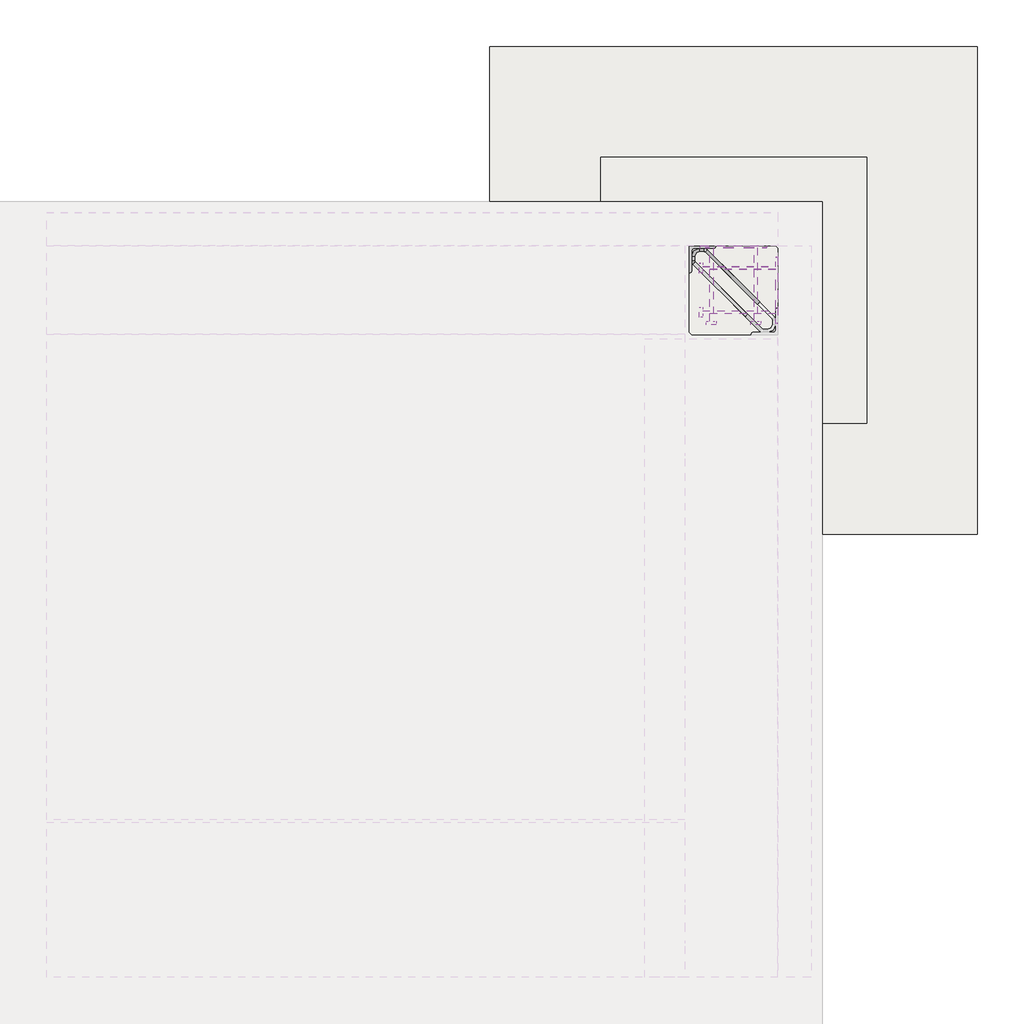
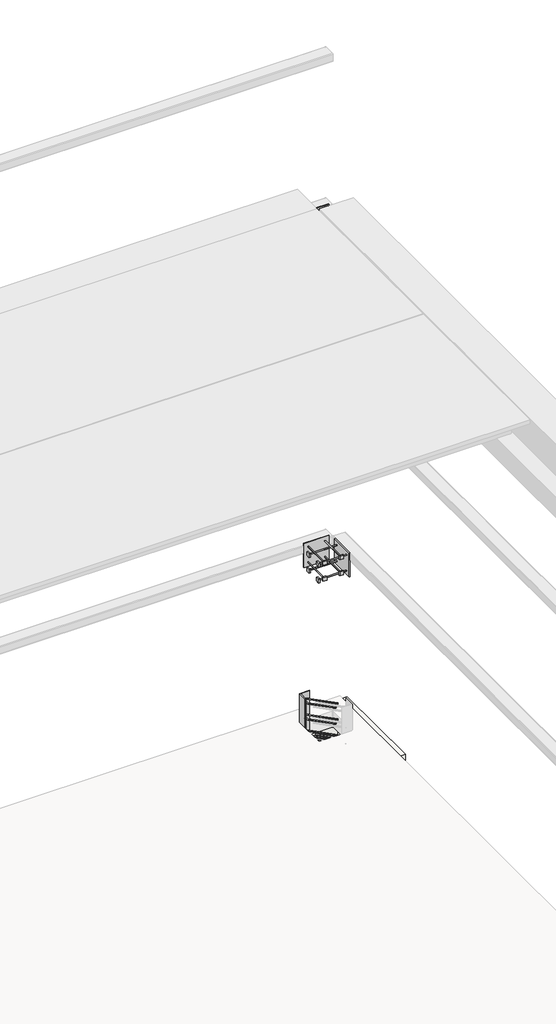
# One storey, part 64 of 65: 7 fasteners, 1 slab.
"""IFC4 building model written with IfcOpenShell, lengths in millimetres."""

from ifc_helpers import new_model, si_unit, point, frame, frame_2d, origin, place, context, project, spatial, polyline, circle_curve, ellipse_curve, trimmed, segment, composite_curve, outline, extrude, faceted_brep, element, save
from ifc_brep_helpers import plane_surface, cylinder_surface, revolved_surface, advanced_brep

model = new_model("IFC4")

# Units and contexts
model_context = context("Model", 3, world=origin())
ifc_project = project(units=[si_unit("LENGTHUNIT", "METRE", prefix="MILLI")], contexts=[model_context])

# Site, building, storey
site = spatial("IfcSite", under=ifc_project)
building = spatial("IfcBuilding", under=site)
storey = spatial("IfcBuildingStorey", under=building, Elevation=0.0)

# Fasteners
placement = place(None, origin())
element("IfcFastener", 1, at=placement, inside=storey, context=model_context, shape_type="SolidModel", body=[
    advanced_brep(
    [(82052.5376259, 38682.5628791, -120.0), (82062.4371209, 38692.4623741, -120.0), (82117.4371209, 38747.4623741, -120.0), (82107.5376259, 38737.5628791, -120.0), (81847.0, 38976.0, -120.0), (81865.7867966, 38976.0, -120.0), (81865.7867966, 38990.0, -120.0), (81847.0, 38990.0, -120.0), (81810.0, 38953.0, -120.0), (81824.0, 38953.0, -120.0), (81824.0, 38934.2132034, -120.0), (81810.0, 38934.2132034, -120.0), (81826.3431458, 38928.5563492, -120.0), (81816.4436508, 38918.6568542, -120.0), (81871.4436508, 38973.6568542, -120.0), (81881.3431458, 38983.5563492, -120.0)],
    [
        (0, 1, circle_curve(frame((82057.4873734, 38687.5126266, -120.0), z_axis=(0.7071067811865482, -0.707106781186547, 0.0), x_axis=(0.707106781186547, 0.7071067811865482, 0.0)), 7.0)),
        (1, 0, circle_curve(frame((82057.4873734, 38687.5126266, -120.0), z_axis=(0.7071067811865482, -0.707106781186547, 0.0), x_axis=(0.707106781186547, 0.7071067811865482, 0.0)), 7.0)),
        (2, 3, circle_curve(frame((82112.4873734, 38742.5126266, -120.0), z_axis=(0.707106781186548, -0.707106781186547, 0.0), x_axis=(-0.707106781186547, -0.707106781186548, 0.0)), 7.0)),
        (3, 2, circle_curve(frame((82112.4873734, 38742.5126266, -120.0), z_axis=(0.707106781186548, -0.707106781186547, 0.0), x_axis=(-0.707106781186547, -0.707106781186548, 0.0)), 7.0)),
        (4, 5),
        (5, 6, circle_curve(frame((81865.7867966, 38983.0, -120.0), z_axis=(-1.0, 0.0, 0.0), x_axis=(0.0, -1.0, 0.0)), 7.0)),
        (6, 7),
        (7, 4, circle_curve(frame((81847.0, 38983.0, -120.0), z_axis=(1.0, 0.0, 0.0), x_axis=(0.0, -1.0, 0.0)), 7.0)),
        (6, 5, circle_curve(frame((81865.7867966, 38983.0, -120.0), z_axis=(-1.0, 0.0, 0.0), x_axis=(0.0, -1.0, 0.0)), 7.0)),
        (4, 7, circle_curve(frame((81847.0, 38983.0, -120.0), z_axis=(1.0, 0.0, 0.0), x_axis=(0.0, -1.0, 0.0)), 7.0)),
        (7, 8, circle_curve(frame((81847.0, 38953.0, -120.0), z_axis=(0.0, 0.0, 1.0), x_axis=(-1.0, 0.0, 0.0)), 37.0)),
        (8, 9, circle_curve(frame((81817.0, 38953.0, -120.0), z_axis=(0.0, 1.0, 0.0), x_axis=(1.0, 0.0, 0.0)), 7.0)),
        (9, 4, circle_curve(frame((81847.0, 38953.0, -120.0), z_axis=(0.0, 0.0, -1.0), x_axis=(-1.0, 0.0, 0.0)), 23.0)),
        (9, 8, circle_curve(frame((81817.0, 38953.0, -120.0), z_axis=(0.0, 1.0, 0.0), x_axis=(1.0, 0.0, 0.0)), 7.0)),
        (10, 9),
        (8, 11),
        (11, 10, circle_curve(frame((81817.0, 38934.2132034, -120.0), z_axis=(0.0, 1.0, 0.0), x_axis=(1.0, 0.0, 0.0)), 7.0)),
        (10, 11, circle_curve(frame((81817.0, 38934.2132034, -120.0), z_axis=(0.0, 1.0, 0.0), x_axis=(1.0, 0.0, 0.0)), 7.0)),
        (1, 12),
        (12, 13, circle_curve(frame((81821.3933983, 38923.6066017, -120.0), z_axis=(0.7071067811865482, -0.707106781186547, 0.0), x_axis=(0.707106781186547, 0.7071067811865482, 0.0)), 7.0)),
        (13, 0),
        (13, 12, circle_curve(frame((81821.3933983, 38923.6066017, -120.0), z_axis=(0.7071067811865482, -0.707106781186547, 0.0), x_axis=(0.707106781186547, 0.7071067811865482, 0.0)), 7.0)),
        (11, 13, circle_curve(frame((81832.0, 38934.2132034, -120.0), z_axis=(0.0, 0.0, 1.0), x_axis=(-0.7071067811865468, -0.7071067811865482, 0.0)), 22.0)),
        (12, 10, circle_curve(frame((81832.0, 38934.2132034, -120.0), z_axis=(0.0, 0.0, -1.0), x_axis=(-0.7071067811865468, -0.7071067811865482, 0.0)), 8.0)),
        (14, 15, circle_curve(frame((81876.3933983, 38978.6066017, -120.0), z_axis=(-0.7071067811865476, 0.7071067811865475, 0.0), x_axis=(-0.7071067811865475, -0.7071067811865476, 0.0)), 7.0)),
        (15, 6, circle_curve(frame((81865.7867966, 38968.0, -120.0), z_axis=(0.0, 0.0, 1.0), x_axis=(0.0, 1.0, 0.0)), 22.0)),
        (5, 14, circle_curve(frame((81865.7867966, 38968.0, -120.0), z_axis=(0.0, 0.0, -1.0), x_axis=(0.0, 1.0, 0.0)), 8.0)),
        (15, 14, circle_curve(frame((81876.3933983, 38978.6066017, -120.0), z_axis=(-0.7071067811865479, 0.7071067811865471, 0.0), x_axis=(-0.7071067811865471, -0.7071067811865479, 0.0)), 7.0)),
        (14, 3),
        (2, 15),
    ],
    [
        plane_surface(frame((82057.4873734, 38687.5126266, -120.0), z_axis=(0.7071067811865482, -0.707106781186547, 0.0), x_axis=(0.0, 0.0, 1.0))),
        plane_surface(frame((82112.4873734, 38742.5126266, -120.0), z_axis=(0.707106781186548, -0.707106781186547, 0.0), x_axis=(0.0, 0.0, 1.0))),
        cylinder_surface(frame((81847.0, 38983.0, -120.0), z_axis=(-1.0, 0.0, 0.0), x_axis=(0.0, -1.0, 0.0)), 7.0),
        revolved_surface(trimmed(ellipse_curve(frame((81817.0, 38953.0, -120.0), z_axis=(0.0, 1.0, 0.0), x_axis=(1.0, 0.0, 0.0)), 7.0, 7.0), [point((81810.0, 38953.0, -120.0))], [point((81824.0, 38953.0, -120.0))], True, "CARTESIAN"), (81847.0, 38953.0, -120.0), (0.0, 0.0, 1.0)),
        revolved_surface(trimmed(ellipse_curve(frame((81817.0, 38953.0, -120.0), z_axis=(0.0, 1.0, 0.0), x_axis=(1.0, 0.0, 0.0)), 7.0, 7.0), [point((81824.0, 38953.0, -120.0))], [point((81810.0, 38953.0, -120.0))], True, "CARTESIAN"), (81847.0, 38953.0, -120.0), (0.0, 0.0, 1.0)),
        cylinder_surface(frame((81817.0, 38934.2132034, -120.0), z_axis=(0.0, -1.0, 0.0), x_axis=(1.0, 0.0, 0.0)), 7.0),
        cylinder_surface(frame((82057.4873734, 38687.5126266, -120.0), z_axis=(0.7071067811865482, -0.707106781186547, 0.0), x_axis=(0.707106781186547, 0.7071067811865482, 0.0)), 7.0),
        revolved_surface(trimmed(ellipse_curve(frame((81821.3933983, 38923.6066017, -120.0), z_axis=(-0.7071067811865482, 0.7071067811865468, 0.0), x_axis=(0.7071067811865468, 0.7071067811865482, 0.0)), 7.0, 7.0), [point((81816.4436508, 38918.6568542, -120.0))], [point((81826.3431458, 38928.5563492, -120.0))], True, "CARTESIAN"), (81832.0, 38934.2132034, -120.0), (0.0, 0.0, 1.0)),
        revolved_surface(trimmed(ellipse_curve(frame((81821.3933983, 38923.6066017, -120.0), z_axis=(-0.7071067811865482, 0.7071067811865468, 0.0), x_axis=(0.7071067811865468, 0.7071067811865482, 0.0)), 7.0, 7.0), [point((81826.3431458, 38928.5563492, -120.0))], [point((81816.4436508, 38918.6568542, -120.0))], True, "CARTESIAN"), (81832.0, 38934.2132034, -120.0), (0.0, 0.0, 1.0)),
        revolved_surface(trimmed(ellipse_curve(frame((81865.7867966, 38983.0, -120.0), z_axis=(1.0, 0.0, 0.0), x_axis=(0.0, -1.0, 0.0)), 7.0, 7.0), [point((81865.7867966, 38990.0, -120.0))], [point((81865.7867966, 38976.0, -120.0))], True, "CARTESIAN"), (81865.7867966, 38968.0, -120.0), (0.0, 0.0, 1.0)),
        revolved_surface(trimmed(ellipse_curve(frame((81865.7867966, 38983.0, -120.0), z_axis=(1.0, 0.0, 0.0), x_axis=(0.0, -1.0, 0.0)), 7.0, 7.0), [point((81865.7867966, 38976.0, -120.0))], [point((81865.7867966, 38990.0, -120.0))], True, "CARTESIAN"), (81865.7867966, 38968.0, -120.0), (0.0, 0.0, 1.0)),
        cylinder_surface(frame((81876.3933983, 38978.6066017, -120.0), z_axis=(-0.707106781186548, 0.707106781186547, 0.0), x_axis=(-0.707106781186547, -0.707106781186548, 0.0)), 7.0),
    ],
    [
        (0, [[1, 2]]),
        (1, [[3, 4]]),
        (2, [[5, 6, 7, 8]]),
        (2, [[-7, 9, -5, 10]]),
        (3, [[-8, 11, 12, 13]]),
        (4, [[-10, -13, 14, -11]]),
        (5, [[15, -12, 16, 17]]),
        (5, [[-16, -14, -15, 18]]),
        (6, [[19, 20, 21, -2]]),
        (6, [[-21, 22, -19, -1]]),
        (7, [[-17, 23, -20, 24]]),
        (8, [[-18, -24, -22, -23]]),
        (9, [[25, 26, -6, 27]]),
        (10, [[28, -27, -9, -26]]),
        (11, [[29, -3, 30, -25]]),
        (11, [[-30, -4, -29, -28]]),
    ],
),
    advanced_brep(
    [(82062.4371209, 38692.4623741, 280.0), (82052.5376259, 38682.5628791, 280.0), (82107.5376259, 38737.5628791, 280.0), (82117.4371209, 38747.4623741, 280.0), (81847.0, 38990.0, 280.0), (81865.7867966, 38990.0, 280.0), (81865.7867966, 38976.0, 280.0), (81847.0, 38976.0, 280.0), (81824.0, 38953.0, 280.0), (81810.0, 38953.0, 280.0), (81810.0, 38934.2132034, 280.0), (81824.0, 38934.2132034, 280.0), (81816.4436508, 38918.6568542, 280.0), (81826.3431458, 38928.5563492, 280.0), (81881.3431458, 38983.5563492, 280.0), (81871.4436508, 38973.6568542, 280.0)],
    [
        (0, 1, circle_curve(frame((82057.4873734, 38687.5126266, 280.0), z_axis=(0.7071067811865482, -0.707106781186547, 0.0), x_axis=(-0.707106781186547, -0.7071067811865482, 0.0)), 7.0)),
        (1, 0, circle_curve(frame((82057.4873734, 38687.5126266, 280.0), z_axis=(0.7071067811865482, -0.707106781186547, 0.0), x_axis=(-0.707106781186547, -0.7071067811865482, 0.0)), 7.0)),
        (2, 3, circle_curve(frame((82112.4873734, 38742.5126266, 280.0), z_axis=(0.7071067811865481, -0.707106781186547, 0.0), x_axis=(0.707106781186547, 0.7071067811865481, 0.0)), 7.0)),
        (3, 2, circle_curve(frame((82112.4873734, 38742.5126266, 280.0), z_axis=(0.7071067811865481, -0.707106781186547, 0.0), x_axis=(0.707106781186547, 0.7071067811865481, 0.0)), 7.0)),
        (4, 5),
        (5, 6, circle_curve(frame((81865.7867966, 38983.0, 280.0), z_axis=(-1.0, 0.0, 0.0), x_axis=(0.0, 1.0, 0.0)), 7.0)),
        (6, 7),
        (7, 4, circle_curve(frame((81847.0, 38983.0, 280.0), z_axis=(1.0, 0.0, 0.0), x_axis=(0.0, 1.0, 0.0)), 7.0)),
        (6, 5, circle_curve(frame((81865.7867966, 38983.0, 280.0), z_axis=(-1.0, 0.0, 0.0), x_axis=(0.0, 1.0, 0.0)), 7.0)),
        (4, 7, circle_curve(frame((81847.0, 38983.0, 280.0), z_axis=(1.0, 0.0, 0.0), x_axis=(0.0, 1.0, 0.0)), 7.0)),
        (7, 8, circle_curve(frame((81847.0, 38953.0, 280.0), z_axis=(0.0, 0.0, 1.0), x_axis=(-1.0, 0.0, 0.0)), 23.0)),
        (8, 9, circle_curve(frame((81817.0, 38953.0, 280.0), z_axis=(0.0, 1.0, 0.0), x_axis=(-1.0, 0.0, 0.0)), 7.0)),
        (9, 4, circle_curve(frame((81847.0, 38953.0, 280.0), z_axis=(0.0, 0.0, -1.0), x_axis=(-1.0, 0.0, 0.0)), 37.0)),
        (9, 8, circle_curve(frame((81817.0, 38953.0, 280.0), z_axis=(0.0, 1.0, 0.0), x_axis=(-1.0, 0.0, 0.0)), 7.0)),
        (10, 9),
        (8, 11),
        (11, 10, circle_curve(frame((81817.0, 38934.2132034, 280.0), z_axis=(0.0, 1.0, 0.0), x_axis=(-1.0, 0.0, 0.0)), 7.0)),
        (10, 11, circle_curve(frame((81817.0, 38934.2132034, 280.0), z_axis=(0.0, 1.0, 0.0), x_axis=(-1.0, 0.0, 0.0)), 7.0)),
        (1, 12),
        (12, 13, circle_curve(frame((81821.3933983, 38923.6066017, 280.0), z_axis=(0.7071067811865482, -0.707106781186547, 0.0), x_axis=(-0.707106781186547, -0.7071067811865482, 0.0)), 7.0)),
        (13, 0),
        (13, 12, circle_curve(frame((81821.3933983, 38923.6066017, 280.0), z_axis=(0.7071067811865482, -0.707106781186547, 0.0), x_axis=(-0.707106781186547, -0.7071067811865482, 0.0)), 7.0)),
        (11, 13, circle_curve(frame((81832.0, 38934.2132034, 280.0), z_axis=(0.0, 0.0, 1.0), x_axis=(-0.7071067811865468, -0.7071067811865482, 0.0)), 8.0)),
        (12, 10, circle_curve(frame((81832.0, 38934.2132034, 280.0), z_axis=(0.0, 0.0, -1.0), x_axis=(-0.7071067811865468, -0.7071067811865482, 0.0)), 22.0)),
        (14, 15, circle_curve(frame((81876.3933983, 38978.6066017, 280.0), z_axis=(-0.7071067811865474, 0.7071067811865477, 0.0), x_axis=(0.7071067811865477, 0.7071067811865474, 0.0)), 7.0)),
        (15, 6, circle_curve(frame((81865.7867966, 38968.0, 280.0), z_axis=(0.0, 0.0, 1.0), x_axis=(0.0, 1.0, 0.0)), 8.0)),
        (5, 14, circle_curve(frame((81865.7867966, 38968.0, 280.0), z_axis=(0.0, 0.0, -1.0), x_axis=(0.0, 1.0, 0.0)), 22.0)),
        (15, 14, circle_curve(frame((81876.3933983, 38978.6066017, 280.0), z_axis=(-0.7071067811865464, 0.7071067811865487, 0.0), x_axis=(0.7071067811865487, 0.7071067811865464, 0.0)), 7.0)),
        (14, 3),
        (2, 15),
    ],
    [
        plane_surface(frame((82057.4873734, 38687.5126266, 280.0), z_axis=(0.7071067811865482, -0.707106781186547, 0.0), x_axis=(0.0, 0.0, -1.0))),
        plane_surface(frame((82112.4873734, 38742.5126266, 280.0), z_axis=(0.7071067811865481, -0.707106781186547, 0.0), x_axis=(0.0, 0.0, -1.0))),
        cylinder_surface(frame((81847.0, 38983.0, 280.0), z_axis=(-1.0, 0.0, 0.0), x_axis=(0.0, 1.0, 0.0)), 7.0),
        revolved_surface(trimmed(ellipse_curve(frame((81817.0, 38953.0, 280.0), z_axis=(0.0, 1.0, 0.0), x_axis=(-1.0, 0.0, 0.0)), 7.0, 7.0), [point((81824.0, 38953.0, 280.0))], [point((81810.0, 38953.0, 280.0))], True, "CARTESIAN"), (81847.0, 38953.0, 280.0), (0.0, 0.0, 1.0)),
        revolved_surface(trimmed(ellipse_curve(frame((81817.0, 38953.0, 280.0), z_axis=(0.0, 1.0, 0.0), x_axis=(-1.0, 0.0, 0.0)), 7.0, 7.0), [point((81810.0, 38953.0, 280.0))], [point((81824.0, 38953.0, 280.0))], True, "CARTESIAN"), (81847.0, 38953.0, 280.0), (0.0, 0.0, 1.0)),
        cylinder_surface(frame((81817.0, 38934.2132034, 280.0), z_axis=(0.0, -1.0, 0.0), x_axis=(-1.0, 0.0, 0.0)), 7.0),
        cylinder_surface(frame((82057.4873734, 38687.5126266, 280.0), z_axis=(0.7071067811865482, -0.707106781186547, 0.0), x_axis=(-0.707106781186547, -0.7071067811865482, 0.0)), 7.0),
        revolved_surface(trimmed(ellipse_curve(frame((81821.3933983, 38923.6066017, 280.0), z_axis=(-0.7071067811865482, 0.7071067811865468, 0.0), x_axis=(-0.7071067811865468, -0.7071067811865482, 0.0)), 7.0, 7.0), [point((81826.3431458, 38928.5563492, 280.0))], [point((81816.4436508, 38918.6568542, 280.0))], True, "CARTESIAN"), (81832.0, 38934.2132034, 280.0), (0.0, 0.0, 1.0)),
        revolved_surface(trimmed(ellipse_curve(frame((81821.3933983, 38923.6066017, 280.0), z_axis=(-0.7071067811865482, 0.7071067811865468, 0.0), x_axis=(-0.7071067811865468, -0.7071067811865482, 0.0)), 7.0, 7.0), [point((81816.4436508, 38918.6568542, 280.0))], [point((81826.3431458, 38928.5563492, 280.0))], True, "CARTESIAN"), (81832.0, 38934.2132034, 280.0), (0.0, 0.0, 1.0)),
        revolved_surface(trimmed(ellipse_curve(frame((81865.7867966, 38983.0, 280.0), z_axis=(1.0, 0.0, 0.0), x_axis=(0.0, 1.0, 0.0)), 7.0, 7.0), [point((81865.7867966, 38976.0, 280.0))], [point((81865.7867966, 38990.0, 280.0))], True, "CARTESIAN"), (81865.7867966, 38968.0, 280.0), (0.0, 0.0, 1.0)),
        revolved_surface(trimmed(ellipse_curve(frame((81865.7867966, 38983.0, 280.0), z_axis=(1.0, 0.0, 0.0), x_axis=(0.0, 1.0, 0.0)), 7.0, 7.0), [point((81865.7867966, 38990.0, 280.0))], [point((81865.7867966, 38976.0, 280.0))], True, "CARTESIAN"), (81865.7867966, 38968.0, 280.0), (0.0, 0.0, 1.0)),
        cylinder_surface(frame((81876.3933983, 38978.6066017, 280.0), z_axis=(-0.7071067811865481, 0.707106781186547, 0.0), x_axis=(0.707106781186547, 0.7071067811865481, 0.0)), 7.0),
    ],
    [
        (0, [[1, 2]]),
        (1, [[3, 4]]),
        (2, [[5, 6, 7, 8]]),
        (2, [[-7, 9, -5, 10]]),
        (3, [[-8, 11, 12, 13]]),
        (4, [[-10, -13, 14, -11]]),
        (5, [[15, -12, 16, 17]]),
        (5, [[-16, -14, -15, 18]]),
        (6, [[19, 20, 21, -2]]),
        (6, [[-21, 22, -19, -1]]),
        (7, [[-17, 23, -20, 24]]),
        (8, [[-18, -24, -22, -23]]),
        (9, [[25, 26, -6, 27]]),
        (10, [[28, -27, -9, -26]]),
        (11, [[29, -3, 30, -25]]),
        (11, [[-30, -4, -29, -28]]),
    ],
),
    advanced_brep(
    [(82062.4371209, 38692.4623741, 80.0), (82052.5376259, 38682.5628791, 80.0), (82107.5376259, 38737.5628791, 80.0), (82117.4371209, 38747.4623741, 80.0), (81847.0, 38990.0, 80.0), (81865.7867966, 38990.0, 80.0), (81865.7867966, 38976.0, 80.0), (81847.0, 38976.0, 80.0), (81824.0, 38953.0, 80.0), (81810.0, 38953.0, 80.0), (81810.0, 38934.2132034, 80.0), (81824.0, 38934.2132034, 80.0), (81816.4436508, 38918.6568542, 80.0), (81826.3431458, 38928.5563492, 80.0), (81881.3431458, 38983.5563492, 80.0), (81871.4436508, 38973.6568542, 80.0)],
    [
        (0, 1, circle_curve(frame((82057.4873734, 38687.5126266, 80.0), z_axis=(0.7071067811865481, -0.7071067811865469, 0.0), x_axis=(-0.7071067811865469, -0.7071067811865481, 0.0)), 7.0)),
        (1, 0, circle_curve(frame((82057.4873734, 38687.5126266, 80.0), z_axis=(0.7071067811865481, -0.7071067811865469, 0.0), x_axis=(-0.7071067811865469, -0.7071067811865481, 0.0)), 7.0)),
        (2, 3, circle_curve(frame((82112.4873734, 38742.5126266, 80.0), z_axis=(0.7071067811865481, -0.707106781186547, 0.0), x_axis=(0.707106781186547, 0.7071067811865481, 0.0)), 7.0)),
        (3, 2, circle_curve(frame((82112.4873734, 38742.5126266, 80.0), z_axis=(0.7071067811865481, -0.707106781186547, 0.0), x_axis=(0.707106781186547, 0.7071067811865481, 0.0)), 7.0)),
        (4, 5),
        (5, 6, circle_curve(frame((81865.7867966, 38983.0, 80.0), z_axis=(-1.0, 0.0, 0.0), x_axis=(0.0, 1.0, 0.0)), 7.0)),
        (6, 7),
        (7, 4, circle_curve(frame((81847.0, 38983.0, 80.0), z_axis=(1.0, 0.0, 0.0), x_axis=(0.0, 1.0, 0.0)), 7.0)),
        (6, 5, circle_curve(frame((81865.7867966, 38983.0, 80.0), z_axis=(-1.0, 0.0, 0.0), x_axis=(0.0, 1.0, 0.0)), 7.0)),
        (4, 7, circle_curve(frame((81847.0, 38983.0, 80.0), z_axis=(1.0, 0.0, 0.0), x_axis=(0.0, 1.0, 0.0)), 7.0)),
        (7, 8, circle_curve(frame((81847.0, 38953.0, 80.0), z_axis=(0.0, 0.0, 1.0), x_axis=(-1.0, 0.0, 0.0)), 23.0)),
        (8, 9, circle_curve(frame((81817.0, 38953.0, 80.0), z_axis=(0.0, 1.0, 0.0), x_axis=(-1.0, 0.0, 0.0)), 7.0)),
        (9, 4, circle_curve(frame((81847.0, 38953.0, 80.0), z_axis=(0.0, 0.0, -1.0), x_axis=(-1.0, 0.0, 0.0)), 37.0)),
        (9, 8, circle_curve(frame((81817.0, 38953.0, 80.0), z_axis=(0.0, 1.0, 0.0), x_axis=(-1.0, 0.0, 0.0)), 7.0)),
        (10, 9),
        (8, 11),
        (11, 10, circle_curve(frame((81817.0, 38934.2132034, 80.0), z_axis=(0.0, 1.0, 0.0), x_axis=(-1.0, 0.0, 0.0)), 7.0)),
        (10, 11, circle_curve(frame((81817.0, 38934.2132034, 80.0), z_axis=(0.0, 1.0, 0.0), x_axis=(-1.0, 0.0, 0.0)), 7.0)),
        (1, 12),
        (12, 13, circle_curve(frame((81821.3933983, 38923.6066017, 80.0), z_axis=(0.7071067811865481, -0.7071067811865469, 0.0), x_axis=(-0.7071067811865469, -0.7071067811865481, 0.0)), 7.0)),
        (13, 0),
        (13, 12, circle_curve(frame((81821.3933983, 38923.6066017, 80.0), z_axis=(0.7071067811865481, -0.7071067811865469, 0.0), x_axis=(-0.7071067811865469, -0.7071067811865481, 0.0)), 7.0)),
        (11, 13, circle_curve(frame((81832.0, 38934.2132034, 80.0), z_axis=(0.0, 0.0, 1.0), x_axis=(-0.7071067811865468, -0.7071067811865482, 0.0)), 8.0)),
        (12, 10, circle_curve(frame((81832.0, 38934.2132034, 80.0), z_axis=(0.0, 0.0, -1.0), x_axis=(-0.7071067811865468, -0.7071067811865482, 0.0)), 22.0)),
        (14, 15, circle_curve(frame((81876.3933983, 38978.6066017, 80.0), z_axis=(-0.7071067811865479, 0.7071067811865471, 0.0), x_axis=(0.7071067811865471, 0.7071067811865479, 0.0)), 7.0)),
        (15, 6, circle_curve(frame((81865.7867966, 38968.0, 80.0), z_axis=(0.0, 0.0, 1.0), x_axis=(0.0, 1.0, 0.0)), 8.0)),
        (5, 14, circle_curve(frame((81865.7867966, 38968.0, 80.0), z_axis=(0.0, 0.0, -1.0), x_axis=(0.0, 1.0, 0.0)), 22.0)),
        (15, 14, circle_curve(frame((81876.3933983, 38978.6066017, 80.0), z_axis=(-0.707106781186548, 0.707106781186547, 0.0), x_axis=(0.707106781186547, 0.707106781186548, 0.0)), 7.0)),
        (14, 3),
        (2, 15),
    ],
    [
        plane_surface(frame((82057.4873734, 38687.5126266, 80.0), z_axis=(0.7071067811865481, -0.7071067811865469, 0.0), x_axis=(0.0, 0.0, -1.0))),
        plane_surface(frame((82112.4873734, 38742.5126266, 80.0), z_axis=(0.707106781186548, -0.7071067811865471, 0.0), x_axis=(0.0, 0.0, -1.0))),
        cylinder_surface(frame((81847.0, 38983.0, 80.0), z_axis=(-1.0, 0.0, 0.0), x_axis=(0.0, 1.0, 0.0)), 7.0),
        revolved_surface(trimmed(ellipse_curve(frame((81817.0, 38953.0, 80.0), z_axis=(0.0, 1.0, 0.0), x_axis=(-1.0, 0.0, 0.0)), 7.0, 7.0), [point((81824.0, 38953.0, 80.0))], [point((81810.0, 38953.0, 80.0))], True, "CARTESIAN"), (81847.0, 38953.0, 80.0), (0.0, 0.0, 1.0)),
        revolved_surface(trimmed(ellipse_curve(frame((81817.0, 38953.0, 80.0), z_axis=(0.0, 1.0, 0.0), x_axis=(-1.0, 0.0, 0.0)), 7.0, 7.0), [point((81810.0, 38953.0, 80.0))], [point((81824.0, 38953.0, 80.0))], True, "CARTESIAN"), (81847.0, 38953.0, 80.0), (0.0, 0.0, 1.0)),
        cylinder_surface(frame((81817.0, 38934.2132034, 80.0), z_axis=(0.0, -1.0, 0.0), x_axis=(-1.0, 0.0, 0.0)), 7.0),
        cylinder_surface(frame((82057.4873734, 38687.5126266, 80.0), z_axis=(0.7071067811865481, -0.7071067811865469, 0.0), x_axis=(-0.7071067811865469, -0.7071067811865481, 0.0)), 7.0),
        revolved_surface(trimmed(ellipse_curve(frame((81821.3933983, 38923.6066017, 80.0), z_axis=(-0.7071067811865483, 0.7071067811865467, 0.0), x_axis=(-0.7071067811865467, -0.7071067811865483, 0.0)), 7.0, 7.0), [point((81826.3431458, 38928.5563492, 80.0))], [point((81816.4436508, 38918.6568542, 80.0))], True, "CARTESIAN"), (81832.0, 38934.2132034, 80.0), (0.0, 0.0, 1.0)),
        revolved_surface(trimmed(ellipse_curve(frame((81821.3933983, 38923.6066017, 80.0), z_axis=(-0.7071067811865483, 0.7071067811865467, 0.0), x_axis=(-0.7071067811865467, -0.7071067811865483, 0.0)), 7.0, 7.0), [point((81816.4436508, 38918.6568542, 80.0))], [point((81826.3431458, 38928.5563492, 80.0))], True, "CARTESIAN"), (81832.0, 38934.2132034, 80.0), (0.0, 0.0, 1.0)),
        revolved_surface(trimmed(ellipse_curve(frame((81865.7867966, 38983.0, 80.0), z_axis=(1.0, 0.0, 0.0), x_axis=(0.0, 1.0, 0.0)), 7.0, 7.0), [point((81865.7867966, 38976.0, 80.0))], [point((81865.7867966, 38990.0, 80.0))], True, "CARTESIAN"), (81865.7867966, 38968.0, 80.0), (0.0, 0.0, 1.0)),
        revolved_surface(trimmed(ellipse_curve(frame((81865.7867966, 38983.0, 80.0), z_axis=(1.0, 0.0, 0.0), x_axis=(0.0, 1.0, 0.0)), 7.0, 7.0), [point((81865.7867966, 38990.0, 80.0))], [point((81865.7867966, 38976.0, 80.0))], True, "CARTESIAN"), (81865.7867966, 38968.0, 80.0), (0.0, 0.0, 1.0)),
        cylinder_surface(frame((81876.3933983, 38978.6066017, 80.0), z_axis=(-0.7071067811865481, 0.707106781186547, 0.0), x_axis=(0.707106781186547, 0.7071067811865481, 0.0)), 7.0),
    ],
    [
        (0, [[1, 2]]),
        (1, [[3, 4]]),
        (2, [[5, 6, 7, 8]]),
        (2, [[-7, 9, -5, 10]]),
        (3, [[-8, 11, 12, 13]]),
        (4, [[-10, -13, 14, -11]]),
        (5, [[15, -12, 16, 17]]),
        (5, [[-16, -14, -15, 18]]),
        (6, [[19, 20, 21, -2]]),
        (6, [[-21, 22, -19, -1]]),
        (7, [[-17, 23, -20, 24]]),
        (8, [[-18, -24, -22, -23]]),
        (9, [[25, 26, -6, 27]]),
        (10, [[28, -27, -9, -26]]),
        (11, [[29, -3, 30, -25]]),
        (11, [[-30, -4, -29, -28]]),
    ],
),
    extrude(outline(composite_curve([segment(polyline([(81800.0, 39000.0), (81920.0, 39000.0), (81920.0, 38996.5)]), True, "CONTINUOUS"), segment(trimmed(circle_curve(frame_2d((81913.5, 38996.5)), 6.5), [point((81920.0, 38996.5))], [point((81913.5, 38990.0))], False, "CARTESIAN"), True, "CONTINUOUS"), segment(polyline([(81913.5, 38990.0), (81823.0, 38990.0)]), True, "CONTINUOUS"), segment(trimmed(circle_curve(frame_2d((81823.0, 38977.0)), 13.0), [point((81823.0, 38990.0))], [point((81810.0, 38977.0))], True, "CARTESIAN"), True, "CONTINUOUS"), segment(polyline([(81810.0, 38977.0), (81810.0, 38886.5)]), True, "CONTINUOUS"), segment(trimmed(circle_curve(frame_2d((81803.5, 38886.5)), 6.5), [point((81810.0, 38886.5))], [point((81803.5, 38880.0))], False, "CARTESIAN"), True, "CONTINUOUS"), segment(polyline([(81803.5, 38880.0), (81800.0, 38880.0), (81800.0, 39000.0)]), True, "CONTINUOUS")], self_intersect=False)), frame((0.0, 0.0, -200.0), z_axis=(0.0, 0.0, 1.0), x_axis=(1.0, 0.0, 0.0)), (0.0, 0.0, 1.0), 560.0),
])
element("IfcFastener", 2, ObjectType="ZC : ZC 1", at=placement, inside=storey, context=model_context, shape_type="SweptSolid", body=[
    extrude(outline(polyline([(81877.5, 38660.0), (81922.5, 38660.0), (81922.5, 38644.0), (81877.5, 38644.0), (81877.5, 38660.0)])), frame((0.0, 0.0, 3867.5), z_axis=(0.0, 0.0, 1.0), x_axis=(1.0, 0.0, 0.0)), (0.0, 0.0, 1.0), 45.0),
    extrude(outline(composite_curve([segment(trimmed(circle_curve(frame_2d((3890.0, 81900.0)), 7.0), [point((3890.0, 81893.0))], [point((3890.0, 81907.0))], False, "CARTESIAN"), True, "CONTINUOUS"), segment(trimmed(circle_curve(frame_2d((3890.0, 81900.0)), 7.0), [point((3890.0, 81907.0))], [point((3890.0, 81893.0))], False, "CARTESIAN"), True, "CONTINUOUS")], self_intersect=False)), frame((0.0, 38660.0, 0.0), z_axis=(0.0, 1.0, 0.0), x_axis=(0.0, 0.0, 1.0)), (0.0, 0.0, 1.0), 330.0),
    extrude(outline(polyline([(82077.5, 38660.0), (82122.5, 38660.0), (82122.5, 38644.0), (82077.5, 38644.0), (82077.5, 38660.0)])), frame((0.0, 0.0, 3867.5), z_axis=(0.0, 0.0, 1.0), x_axis=(1.0, 0.0, 0.0)), (0.0, 0.0, 1.0), 45.0),
    extrude(outline(composite_curve([segment(trimmed(circle_curve(frame_2d((3890.0, 82100.0)), 7.0), [point((3890.0, 82093.0))], [point((3890.0, 82107.0))], False, "CARTESIAN"), True, "CONTINUOUS"), segment(trimmed(circle_curve(frame_2d((3890.0, 82100.0)), 7.0), [point((3890.0, 82107.0))], [point((3890.0, 82093.0))], False, "CARTESIAN"), True, "CONTINUOUS")], self_intersect=False)), frame((0.0, 38660.0, 0.0), z_axis=(0.0, 1.0, 0.0), x_axis=(0.0, 0.0, 1.0)), (0.0, 0.0, 1.0), 330.0),
    extrude(outline(polyline([(81877.5, 38660.0), (81922.5, 38660.0), (81922.5, 38644.0), (81877.5, 38644.0), (81877.5, 38660.0)])), frame((0.0, 0.0, 4067.5), z_axis=(0.0, 0.0, 1.0), x_axis=(1.0, 0.0, 0.0)), (0.0, 0.0, 1.0), 45.0),
    extrude(outline(composite_curve([segment(trimmed(circle_curve(frame_2d((4090.0, 81900.0)), 7.0), [point((4090.0, 81893.0))], [point((4090.0, 81907.0))], False, "CARTESIAN"), True, "CONTINUOUS"), segment(trimmed(circle_curve(frame_2d((4090.0, 81900.0)), 7.0), [point((4090.0, 81907.0))], [point((4090.0, 81893.0))], False, "CARTESIAN"), True, "CONTINUOUS")], self_intersect=False)), frame((0.0, 38660.0, 0.0), z_axis=(0.0, 1.0, 0.0), x_axis=(0.0, 0.0, 1.0)), (0.0, 0.0, 1.0), 330.0),
    extrude(outline(polyline([(82077.5, 38660.0), (82122.5, 38660.0), (82122.5, 38644.0), (82077.5, 38644.0), (82077.5, 38660.0)])), frame((0.0, 0.0, 4067.5), z_axis=(0.0, 0.0, 1.0), x_axis=(1.0, 0.0, 0.0)), (0.0, 0.0, 1.0), 45.0),
    extrude(outline(composite_curve([segment(trimmed(circle_curve(frame_2d((4090.0, 82100.0)), 7.0), [point((4090.0, 82093.0))], [point((4090.0, 82107.0))], False, "CARTESIAN"), True, "CONTINUOUS"), segment(trimmed(circle_curve(frame_2d((4090.0, 82100.0)), 7.0), [point((4090.0, 82107.0))], [point((4090.0, 82093.0))], False, "CARTESIAN"), True, "CONTINUOUS")], self_intersect=False)), frame((0.0, 38660.0, 0.0), z_axis=(0.0, 1.0, 0.0), x_axis=(0.0, 0.0, 1.0)), (0.0, 0.0, 1.0), 330.0),
    extrude(outline(polyline([(81850.0, 39000.0), (82150.0, 39000.0), (82150.0, 38990.0), (81850.0, 38990.0), (81850.0, 39000.0)])), frame((0.0, 0.0, 3840.0), z_axis=(0.0, 0.0, 1.0), x_axis=(1.0, 0.0, 0.0)), (0.0, 0.0, 1.0), 300.0),
])
element("IfcFastener", 3, ObjectType="ZC : ZC 1", at=placement, inside=storey, context=model_context, shape_type="SweptSolid", body=[
    extrude(outline(polyline([(81877.5, 38660.0), (81922.5, 38660.0), (81922.5, 38644.0), (81877.5, 38644.0), (81877.5, 38660.0)])), frame((0.0, 0.0, 1962.5), z_axis=(0.0, 0.0, 1.0), x_axis=(1.0, 0.0, 0.0)), (0.0, 0.0, 1.0), 45.0),
    extrude(outline(composite_curve([segment(trimmed(circle_curve(frame_2d((1985.0, 81900.0)), 7.0), [point((1985.0, 81893.0))], [point((1985.0, 81907.0))], False, "CARTESIAN"), True, "CONTINUOUS"), segment(trimmed(circle_curve(frame_2d((1985.0, 81900.0)), 7.0), [point((1985.0, 81907.0))], [point((1985.0, 81893.0))], False, "CARTESIAN"), True, "CONTINUOUS")], self_intersect=False)), frame((0.0, 38660.0, 0.0), z_axis=(0.0, 1.0, 0.0), x_axis=(0.0, 0.0, 1.0)), (0.0, 0.0, 1.0), 330.0),
    extrude(outline(polyline([(82077.5, 38660.0), (82122.5, 38660.0), (82122.5, 38644.0), (82077.5, 38644.0), (82077.5, 38660.0)])), frame((0.0, 0.0, 1962.5), z_axis=(0.0, 0.0, 1.0), x_axis=(1.0, 0.0, 0.0)), (0.0, 0.0, 1.0), 45.0),
    extrude(outline(composite_curve([segment(trimmed(circle_curve(frame_2d((1985.0, 82100.0)), 7.0), [point((1985.0, 82093.0))], [point((1985.0, 82107.0))], False, "CARTESIAN"), True, "CONTINUOUS"), segment(trimmed(circle_curve(frame_2d((1985.0, 82100.0)), 7.0), [point((1985.0, 82107.0))], [point((1985.0, 82093.0))], False, "CARTESIAN"), True, "CONTINUOUS")], self_intersect=False)), frame((0.0, 38660.0, 0.0), z_axis=(0.0, 1.0, 0.0), x_axis=(0.0, 0.0, 1.0)), (0.0, 0.0, 1.0), 330.0),
    extrude(outline(polyline([(81877.5, 38660.0), (81922.5, 38660.0), (81922.5, 38644.0), (81877.5, 38644.0), (81877.5, 38660.0)])), frame((0.0, 0.0, 2162.5), z_axis=(0.0, 0.0, 1.0), x_axis=(1.0, 0.0, 0.0)), (0.0, 0.0, 1.0), 45.0),
    extrude(outline(composite_curve([segment(trimmed(circle_curve(frame_2d((2185.0, 81900.0)), 7.0), [point((2185.0, 81893.0))], [point((2185.0, 81907.0))], False, "CARTESIAN"), True, "CONTINUOUS"), segment(trimmed(circle_curve(frame_2d((2185.0, 81900.0)), 7.0), [point((2185.0, 81907.0))], [point((2185.0, 81893.0))], False, "CARTESIAN"), True, "CONTINUOUS")], self_intersect=False)), frame((0.0, 38660.0, 0.0), z_axis=(0.0, 1.0, 0.0), x_axis=(0.0, 0.0, 1.0)), (0.0, 0.0, 1.0), 330.0),
    extrude(outline(polyline([(82077.5, 38660.0), (82122.5, 38660.0), (82122.5, 38644.0), (82077.5, 38644.0), (82077.5, 38660.0)])), frame((0.0, 0.0, 2162.5), z_axis=(0.0, 0.0, 1.0), x_axis=(1.0, 0.0, 0.0)), (0.0, 0.0, 1.0), 45.0),
    extrude(outline(composite_curve([segment(trimmed(circle_curve(frame_2d((2185.0, 82100.0)), 7.0), [point((2185.0, 82093.0))], [point((2185.0, 82107.0))], False, "CARTESIAN"), True, "CONTINUOUS"), segment(trimmed(circle_curve(frame_2d((2185.0, 82100.0)), 7.0), [point((2185.0, 82107.0))], [point((2185.0, 82093.0))], False, "CARTESIAN"), True, "CONTINUOUS")], self_intersect=False)), frame((0.0, 38660.0, 0.0), z_axis=(0.0, 1.0, 0.0), x_axis=(0.0, 0.0, 1.0)), (0.0, 0.0, 1.0), 330.0),
    extrude(outline(polyline([(81850.0, 39000.0), (82150.0, 39000.0), (82150.0, 38990.0), (81850.0, 38990.0), (81850.0, 39000.0)])), frame((0.0, 0.0, 1935.0), z_axis=(0.0, 0.0, 1.0), x_axis=(1.0, 0.0, 0.0)), (0.0, 0.0, 1.0), 300.0),
])
element("IfcFastener", 4, ObjectType="ZC : ZC 1", at=placement, inside=storey, context=model_context, shape_type="SweptSolid", body=[
    extrude(outline(polyline([(81877.5, 38660.0), (81922.5, 38660.0), (81922.5, 38644.0), (81877.5, 38644.0), (81877.5, 38660.0)])), frame((0.0, 0.0, 6137.5), z_axis=(0.0, 0.0, 1.0), x_axis=(1.0, 0.0, 0.0)), (0.0, 0.0, 1.0), 45.0),
    extrude(outline(composite_curve([segment(trimmed(circle_curve(frame_2d((6160.0, 81900.0)), 7.0), [point((6160.0, 81893.0))], [point((6160.0, 81907.0))], False, "CARTESIAN"), True, "CONTINUOUS"), segment(trimmed(circle_curve(frame_2d((6160.0, 81900.0)), 7.0), [point((6160.0, 81907.0))], [point((6160.0, 81893.0))], False, "CARTESIAN"), True, "CONTINUOUS")], self_intersect=False)), frame((0.0, 38660.0, 0.0), z_axis=(0.0, 1.0, 0.0), x_axis=(0.0, 0.0, 1.0)), (0.0, 0.0, 1.0), 330.0),
    extrude(outline(polyline([(82077.5, 38660.0), (82122.5, 38660.0), (82122.5, 38644.0), (82077.5, 38644.0), (82077.5, 38660.0)])), frame((0.0, 0.0, 6137.5), z_axis=(0.0, 0.0, 1.0), x_axis=(1.0, 0.0, 0.0)), (0.0, 0.0, 1.0), 45.0),
    extrude(outline(composite_curve([segment(trimmed(circle_curve(frame_2d((6160.0, 82100.0)), 7.0), [point((6160.0, 82093.0))], [point((6160.0, 82107.0))], False, "CARTESIAN"), True, "CONTINUOUS"), segment(trimmed(circle_curve(frame_2d((6160.0, 82100.0)), 7.0), [point((6160.0, 82107.0))], [point((6160.0, 82093.0))], False, "CARTESIAN"), True, "CONTINUOUS")], self_intersect=False)), frame((0.0, 38660.0, 0.0), z_axis=(0.0, 1.0, 0.0), x_axis=(0.0, 0.0, 1.0)), (0.0, 0.0, 1.0), 330.0),
    extrude(outline(polyline([(81877.5, 38660.0), (81922.5, 38660.0), (81922.5, 38644.0), (81877.5, 38644.0), (81877.5, 38660.0)])), frame((0.0, 0.0, 6337.5), z_axis=(0.0, 0.0, 1.0), x_axis=(1.0, 0.0, 0.0)), (0.0, 0.0, 1.0), 45.0),
    extrude(outline(composite_curve([segment(trimmed(circle_curve(frame_2d((6360.0, 81900.0)), 7.0), [point((6360.0, 81893.0))], [point((6360.0, 81907.0))], False, "CARTESIAN"), True, "CONTINUOUS"), segment(trimmed(circle_curve(frame_2d((6360.0, 81900.0)), 7.0), [point((6360.0, 81907.0))], [point((6360.0, 81893.0))], False, "CARTESIAN"), True, "CONTINUOUS")], self_intersect=False)), frame((0.0, 38660.0, 0.0), z_axis=(0.0, 1.0, 0.0), x_axis=(0.0, 0.0, 1.0)), (0.0, 0.0, 1.0), 330.0),
    extrude(outline(polyline([(82077.5, 38660.0), (82122.5, 38660.0), (82122.5, 38644.0), (82077.5, 38644.0), (82077.5, 38660.0)])), frame((0.0, 0.0, 6337.5), z_axis=(0.0, 0.0, 1.0), x_axis=(1.0, 0.0, 0.0)), (0.0, 0.0, 1.0), 45.0),
    extrude(outline(composite_curve([segment(trimmed(circle_curve(frame_2d((6360.0, 82100.0)), 7.0), [point((6360.0, 82093.0))], [point((6360.0, 82107.0))], False, "CARTESIAN"), True, "CONTINUOUS"), segment(trimmed(circle_curve(frame_2d((6360.0, 82100.0)), 7.0), [point((6360.0, 82107.0))], [point((6360.0, 82093.0))], False, "CARTESIAN"), True, "CONTINUOUS")], self_intersect=False)), frame((0.0, 38660.0, 0.0), z_axis=(0.0, 1.0, 0.0), x_axis=(0.0, 0.0, 1.0)), (0.0, 0.0, 1.0), 330.0),
    extrude(outline(polyline([(81850.0, 39000.0), (82150.0, 39000.0), (82150.0, 38990.0), (81850.0, 38990.0), (81850.0, 39000.0)])), frame((0.0, 0.0, 6110.0), z_axis=(0.0, 0.0, 1.0), x_axis=(1.0, 0.0, 0.0)), (0.0, 0.0, 1.0), 300.0),
])
element("IfcFastener", 5, ObjectType="ZC : ZC 1", at=placement, inside=storey, context=model_context, shape_type="SweptSolid", body=[
    extrude(outline(polyline([(81860.0, 38677.5), (81844.0, 38677.5), (81844.0, 38722.5), (81860.0, 38722.5), (81860.0, 38677.5)])), frame((0.0, 0.0, 6107.5), z_axis=(0.0, 0.0, 1.0), x_axis=(1.0, 0.0, 0.0)), (0.0, 0.0, 1.0), 45.0),
    extrude(outline(composite_curve([segment(trimmed(circle_curve(frame_2d((38700.0, 6130.0)), 7.0), [point((38693.0, 6130.0))], [point((38707.0, 6130.0))], False, "CARTESIAN"), True, "CONTINUOUS"), segment(trimmed(circle_curve(frame_2d((38700.0, 6130.0)), 7.0), [point((38707.0, 6130.0))], [point((38693.0, 6130.0))], False, "CARTESIAN"), True, "CONTINUOUS")], self_intersect=False)), frame((81860.0, 0.0, 0.0), z_axis=(1.0, 0.0, 0.0), x_axis=(0.0, 1.0, 0.0)), (0.0, 0.0, 1.0), 330.0),
    extrude(outline(polyline([(81860.0, 38877.5), (81844.0, 38877.5), (81844.0, 38922.5), (81860.0, 38922.5), (81860.0, 38877.5)])), frame((0.0, 0.0, 6107.5), z_axis=(0.0, 0.0, 1.0), x_axis=(1.0, 0.0, 0.0)), (0.0, 0.0, 1.0), 45.0),
    extrude(outline(composite_curve([segment(trimmed(circle_curve(frame_2d((38900.0, 6130.0)), 7.0), [point((38893.0, 6130.0))], [point((38907.0, 6130.0))], False, "CARTESIAN"), True, "CONTINUOUS"), segment(trimmed(circle_curve(frame_2d((38900.0, 6130.0)), 7.0), [point((38907.0, 6130.0))], [point((38893.0, 6130.0))], False, "CARTESIAN"), True, "CONTINUOUS")], self_intersect=False)), frame((81860.0, 0.0, 0.0), z_axis=(1.0, 0.0, 0.0), x_axis=(0.0, 1.0, 0.0)), (0.0, 0.0, 1.0), 330.0),
    extrude(outline(polyline([(81860.0, 38677.5), (81844.0, 38677.5), (81844.0, 38722.5), (81860.0, 38722.5), (81860.0, 38677.5)])), frame((0.0, 0.0, 6307.5), z_axis=(0.0, 0.0, 1.0), x_axis=(1.0, 0.0, 0.0)), (0.0, 0.0, 1.0), 45.0),
    extrude(outline(composite_curve([segment(trimmed(circle_curve(frame_2d((38700.0, 6330.0)), 7.0), [point((38693.0, 6330.0))], [point((38707.0, 6330.0))], False, "CARTESIAN"), True, "CONTINUOUS"), segment(trimmed(circle_curve(frame_2d((38700.0, 6330.0)), 7.0), [point((38707.0, 6330.0))], [point((38693.0, 6330.0))], False, "CARTESIAN"), True, "CONTINUOUS")], self_intersect=False)), frame((81860.0, 0.0, 0.0), z_axis=(1.0, 0.0, 0.0), x_axis=(0.0, 1.0, 0.0)), (0.0, 0.0, 1.0), 330.0),
    extrude(outline(polyline([(81860.0, 38877.5), (81844.0, 38877.5), (81844.0, 38922.5), (81860.0, 38922.5), (81860.0, 38877.5)])), frame((0.0, 0.0, 6307.5), z_axis=(0.0, 0.0, 1.0), x_axis=(1.0, 0.0, 0.0)), (0.0, 0.0, 1.0), 45.0),
    extrude(outline(composite_curve([segment(trimmed(circle_curve(frame_2d((38900.0, 6330.0)), 7.0), [point((38893.0, 6330.0))], [point((38907.0, 6330.0))], False, "CARTESIAN"), True, "CONTINUOUS"), segment(trimmed(circle_curve(frame_2d((38900.0, 6330.0)), 7.0), [point((38907.0, 6330.0))], [point((38893.0, 6330.0))], False, "CARTESIAN"), True, "CONTINUOUS")], self_intersect=False)), frame((81860.0, 0.0, 0.0), z_axis=(1.0, 0.0, 0.0), x_axis=(0.0, 1.0, 0.0)), (0.0, 0.0, 1.0), 330.0),
    extrude(outline(polyline([(82200.0, 38650.0), (82190.0, 38650.0), (82190.0, 38950.0), (82200.0, 38950.0), (82200.0, 38650.0)])), frame((0.0, 0.0, 6080.0), z_axis=(0.0, 0.0, 1.0), x_axis=(1.0, 0.0, 0.0)), (0.0, 0.0, 1.0), 300.0),
])
element("IfcFastener", 6, ObjectType="ZC : ZC 1", at=placement, inside=storey, context=model_context, shape_type="SweptSolid", body=[
    extrude(outline(polyline([(81860.0, 38677.5), (81844.0, 38677.5), (81844.0, 38722.5), (81860.0, 38722.5), (81860.0, 38677.5)])), frame((0.0, 0.0, 3837.5), z_axis=(0.0, 0.0, 1.0), x_axis=(1.0, 0.0, 0.0)), (0.0, 0.0, 1.0), 45.0),
    extrude(outline(composite_curve([segment(trimmed(circle_curve(frame_2d((38700.0, 3860.0)), 7.0), [point((38693.0, 3860.0))], [point((38707.0, 3860.0))], False, "CARTESIAN"), True, "CONTINUOUS"), segment(trimmed(circle_curve(frame_2d((38700.0, 3860.0)), 7.0), [point((38707.0, 3860.0))], [point((38693.0, 3860.0))], False, "CARTESIAN"), True, "CONTINUOUS")], self_intersect=False)), frame((81860.0, 0.0, 0.0), z_axis=(1.0, 0.0, 0.0), x_axis=(0.0, 1.0, 0.0)), (0.0, 0.0, 1.0), 330.0),
    extrude(outline(polyline([(81860.0, 38877.5), (81844.0, 38877.5), (81844.0, 38922.5), (81860.0, 38922.5), (81860.0, 38877.5)])), frame((0.0, 0.0, 3837.5), z_axis=(0.0, 0.0, 1.0), x_axis=(1.0, 0.0, 0.0)), (0.0, 0.0, 1.0), 45.0),
    extrude(outline(composite_curve([segment(trimmed(circle_curve(frame_2d((38900.0, 3860.0)), 7.0), [point((38893.0, 3860.0))], [point((38907.0, 3860.0))], False, "CARTESIAN"), True, "CONTINUOUS"), segment(trimmed(circle_curve(frame_2d((38900.0, 3860.0)), 7.0), [point((38907.0, 3860.0))], [point((38893.0, 3860.0))], False, "CARTESIAN"), True, "CONTINUOUS")], self_intersect=False)), frame((81860.0, 0.0, 0.0), z_axis=(1.0, 0.0, 0.0), x_axis=(0.0, 1.0, 0.0)), (0.0, 0.0, 1.0), 330.0),
    extrude(outline(polyline([(81860.0, 38677.5), (81844.0, 38677.5), (81844.0, 38722.5), (81860.0, 38722.5), (81860.0, 38677.5)])), frame((0.0, 0.0, 4037.5), z_axis=(0.0, 0.0, 1.0), x_axis=(1.0, 0.0, 0.0)), (0.0, 0.0, 1.0), 45.0),
    extrude(outline(composite_curve([segment(trimmed(circle_curve(frame_2d((38700.0, 4060.0)), 7.0), [point((38693.0, 4060.0))], [point((38707.0, 4060.0))], False, "CARTESIAN"), True, "CONTINUOUS"), segment(trimmed(circle_curve(frame_2d((38700.0, 4060.0)), 7.0), [point((38707.0, 4060.0))], [point((38693.0, 4060.0))], False, "CARTESIAN"), True, "CONTINUOUS")], self_intersect=False)), frame((81860.0, 0.0, 0.0), z_axis=(1.0, 0.0, 0.0), x_axis=(0.0, 1.0, 0.0)), (0.0, 0.0, 1.0), 330.0),
    extrude(outline(polyline([(81860.0, 38877.5), (81844.0, 38877.5), (81844.0, 38922.5), (81860.0, 38922.5), (81860.0, 38877.5)])), frame((0.0, 0.0, 4037.5), z_axis=(0.0, 0.0, 1.0), x_axis=(1.0, 0.0, 0.0)), (0.0, 0.0, 1.0), 45.0),
    extrude(outline(composite_curve([segment(trimmed(circle_curve(frame_2d((38900.0, 4060.0)), 7.0), [point((38893.0, 4060.0))], [point((38907.0, 4060.0))], False, "CARTESIAN"), True, "CONTINUOUS"), segment(trimmed(circle_curve(frame_2d((38900.0, 4060.0)), 7.0), [point((38907.0, 4060.0))], [point((38893.0, 4060.0))], False, "CARTESIAN"), True, "CONTINUOUS")], self_intersect=False)), frame((81860.0, 0.0, 0.0), z_axis=(1.0, 0.0, 0.0), x_axis=(0.0, 1.0, 0.0)), (0.0, 0.0, 1.0), 330.0),
    extrude(outline(polyline([(82200.0, 38650.0), (82190.0, 38650.0), (82190.0, 38950.0), (82200.0, 38950.0), (82200.0, 38650.0)])), frame((0.0, 0.0, 3810.0), z_axis=(0.0, 0.0, 1.0), x_axis=(1.0, 0.0, 0.0)), (0.0, 0.0, 1.0), 300.0),
])
element("IfcFastener", 7, ObjectType="ZC : ZC 1", at=placement, inside=storey, context=model_context, shape_type="SweptSolid", body=[
    extrude(outline(polyline([(81860.0, 38677.5), (81844.0, 38677.5), (81844.0, 38722.5), (81860.0, 38722.5), (81860.0, 38677.5)])), frame((0.0, 0.0, 1932.5), z_axis=(0.0, 0.0, 1.0), x_axis=(1.0, 0.0, 0.0)), (0.0, 0.0, 1.0), 45.0),
    extrude(outline(composite_curve([segment(trimmed(circle_curve(frame_2d((38700.0, 1955.0)), 7.0), [point((38693.0, 1955.0))], [point((38707.0, 1955.0))], False, "CARTESIAN"), True, "CONTINUOUS"), segment(trimmed(circle_curve(frame_2d((38700.0, 1955.0)), 7.0), [point((38707.0, 1955.0))], [point((38693.0, 1955.0))], False, "CARTESIAN"), True, "CONTINUOUS")], self_intersect=False)), frame((81860.0, 0.0, 0.0), z_axis=(1.0, 0.0, 0.0), x_axis=(0.0, 1.0, 0.0)), (0.0, 0.0, 1.0), 330.0),
    extrude(outline(polyline([(81860.0, 38877.5), (81844.0, 38877.5), (81844.0, 38922.5), (81860.0, 38922.5), (81860.0, 38877.5)])), frame((0.0, 0.0, 1932.5), z_axis=(0.0, 0.0, 1.0), x_axis=(1.0, 0.0, 0.0)), (0.0, 0.0, 1.0), 45.0),
    extrude(outline(composite_curve([segment(trimmed(circle_curve(frame_2d((38900.0, 1955.0)), 7.0), [point((38893.0, 1955.0))], [point((38907.0, 1955.0))], False, "CARTESIAN"), True, "CONTINUOUS"), segment(trimmed(circle_curve(frame_2d((38900.0, 1955.0)), 7.0), [point((38907.0, 1955.0))], [point((38893.0, 1955.0))], False, "CARTESIAN"), True, "CONTINUOUS")], self_intersect=False)), frame((81860.0, 0.0, 0.0), z_axis=(1.0, 0.0, 0.0), x_axis=(0.0, 1.0, 0.0)), (0.0, 0.0, 1.0), 330.0),
    extrude(outline(polyline([(81860.0, 38677.5), (81844.0, 38677.5), (81844.0, 38722.5), (81860.0, 38722.5), (81860.0, 38677.5)])), frame((0.0, 0.0, 2132.5), z_axis=(0.0, 0.0, 1.0), x_axis=(1.0, 0.0, 0.0)), (0.0, 0.0, 1.0), 45.0),
    extrude(outline(composite_curve([segment(trimmed(circle_curve(frame_2d((38700.0, 2155.0)), 7.0), [point((38693.0, 2155.0))], [point((38707.0, 2155.0))], False, "CARTESIAN"), True, "CONTINUOUS"), segment(trimmed(circle_curve(frame_2d((38700.0, 2155.0)), 7.0), [point((38707.0, 2155.0))], [point((38693.0, 2155.0))], False, "CARTESIAN"), True, "CONTINUOUS")], self_intersect=False)), frame((81860.0, 0.0, 0.0), z_axis=(1.0, 0.0, 0.0), x_axis=(0.0, 1.0, 0.0)), (0.0, 0.0, 1.0), 330.0),
    extrude(outline(polyline([(81860.0, 38877.5), (81844.0, 38877.5), (81844.0, 38922.5), (81860.0, 38922.5), (81860.0, 38877.5)])), frame((0.0, 0.0, 2132.5), z_axis=(0.0, 0.0, 1.0), x_axis=(1.0, 0.0, 0.0)), (0.0, 0.0, 1.0), 45.0),
    extrude(outline(composite_curve([segment(trimmed(circle_curve(frame_2d((38900.0, 2155.0)), 7.0), [point((38893.0, 2155.0))], [point((38907.0, 2155.0))], False, "CARTESIAN"), True, "CONTINUOUS"), segment(trimmed(circle_curve(frame_2d((38900.0, 2155.0)), 7.0), [point((38907.0, 2155.0))], [point((38893.0, 2155.0))], False, "CARTESIAN"), True, "CONTINUOUS")], self_intersect=False)), frame((81860.0, 0.0, 0.0), z_axis=(1.0, 0.0, 0.0), x_axis=(0.0, 1.0, 0.0)), (0.0, 0.0, 1.0), 330.0),
    extrude(outline(polyline([(82200.0, 38650.0), (82190.0, 38650.0), (82190.0, 38950.0), (82200.0, 38950.0), (82200.0, 38650.0)])), frame((0.0, 0.0, 1905.0), z_axis=(0.0, 0.0, 1.0), x_axis=(1.0, 0.0, 0.0)), (0.0, 0.0, 1.0), 300.0),
])

# Slab
element("IfcSlab", 8, ObjectType="F2.2x2.2x0.6m P1.2x1.2x1.2m", at=placement, inside=storey, context=model_context, shape_type="Brep", body=[
    faceted_brep([(80900.0, 39900.0, -2000.0), (80900.0, 37700.0, -2000.0), (80900.0, 37700.0, -1400.0), (80900.0, 39900.0, -1400.0), (83100.0, 39900.0, -1400.0), (83100.0, 37700.0, -1400.0), (82600.0, 39400.0, -1400.0), (82600.0, 38200.0, -1400.0), (81400.0, 38200.0, -1400.0), (81400.0, 39400.0, -1400.0), (82600.0, 39400.0, -200.0), (82600.0, 38200.0, -200.0), (82275.0, 39075.0, -1400.0), (81725.0, 39075.0, -1400.0), (81725.0, 38525.0, -1400.0), (82275.0, 38525.0, -1400.0), (81400.0, 39400.0, -200.0), (81400.0, 38200.0, -200.0), (81650.0, 39150.0, -200.0), (82350.0, 39150.0, -200.0), (82350.0, 38450.0, -200.0), (81650.0, 38450.0, -200.0), (83100.0, 39900.0, -2000.0), (83100.0, 37700.0, -2000.0)], [[[0, 1, 2, 3]], [[4, 3, 2, 5], [6, 7, 8, 9]], [[7, 6, 10, 11]], [[12, 13, 14, 15]], [[11, 10, 16, 17], [18, 19, 20, 21]], [[22, 23, 1, 0]], [[22, 0, 3, 4]], [[1, 23, 5, 2]], [[23, 22, 4, 5]], [[8, 7, 11, 17]], [[9, 8, 17, 16]], [[6, 9, 16, 10]], [[13, 12, 19, 18]], [[14, 13, 18, 21]], [[15, 14, 21, 20]], [[12, 15, 20, 19]]]),
])

save(model, "model.ifc")
